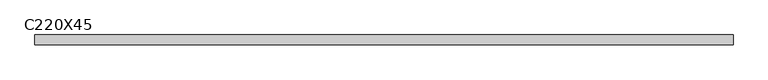
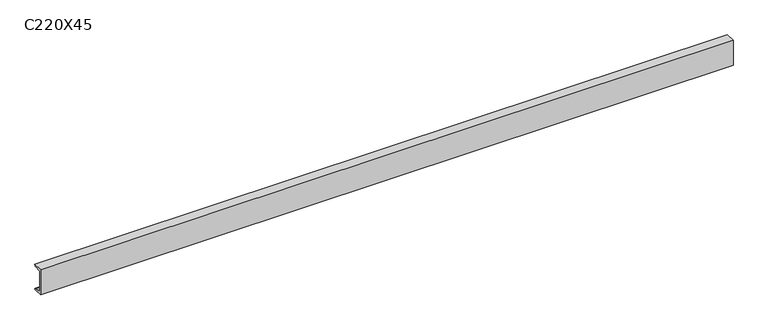
"""IFC4 building model written with IfcOpenShell, lengths in millimetres: beam geometry, C220X45."""

from ifc_helpers import new_model, si_unit, point, frame, frame_2d, origin, place, context, project, spatial, polyline, circle_curve, trimmed, segment, composite_curve, outline, extrude, source, transform, mapped, element, save


def c220x45_8f229327(model_context):
    return source(origin(), model_context, "Body", "SweptSolid", [
        extrude(outline(composite_curve([segment(polyline([(-17.0, 110.0), (64.0, 110.0)]), True, "CONTINUOUS"), segment(trimmed(circle_curve(frame_2d((51.0, 110.0)), 13.0), [point((64.0, 110.0))], [point((51.0, 97.0))], False, "CARTESIAN"), True, "CONTINUOUS"), segment(polyline([(51.0, 97.0), (-4.0, 88.2888558), (-4.0, -88.2888558), (51.0, -97.0)]), True, "CONTINUOUS"), segment(trimmed(circle_curve(frame_2d((51.0, -110.0)), 13.0), [point((51.0, -97.0))], [point((64.0, -110.0))], False, "CARTESIAN"), True, "CONTINUOUS"), segment(polyline([(64.0, -110.0), (-17.0, -110.0), (-17.0, 110.0)]), True, "CONTINUOUS")], self_intersect=False)), frame((-2897.6072723, 0.0, 0.0), z_axis=(1.0, 0.0, 0.0), x_axis=(0.0, 1.0, 0.0)), (0.0, 0.0, 1.0), 5775.6072723),
    ])


if __name__ == "__main__":
    model = new_model("IFC4")
    model_context = context("Model", 3, world=origin())
    ifc_project = project(units=[si_unit("LENGTHUNIT", "METRE", prefix="MILLI")], contexts=[model_context])
    site = spatial("IfcSite", under=ifc_project)
    building = spatial("IfcBuilding", under=site)
    placement = place(None, origin())
    c220x45_shape = c220x45_8f229327(model_context)
    element("IfcBeam", 1, ObjectType="C220X45", at=placement, inside=building, context=model_context, shape_type="MappedRepresentation", body=[
        mapped(c220x45_shape, transform((0.0, 0.0, 0.0), x_axis=(1.0, 0.0, 0.0), y_axis=(0.0, 1.0, 0.0), z_axis=(0.0, 0.0, 1.0))),
    ])
    save(model, "model.ifc")
